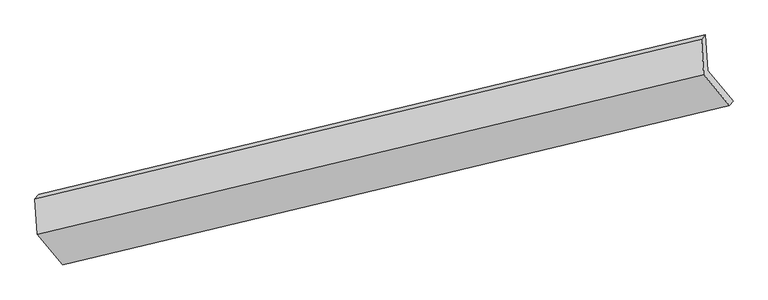
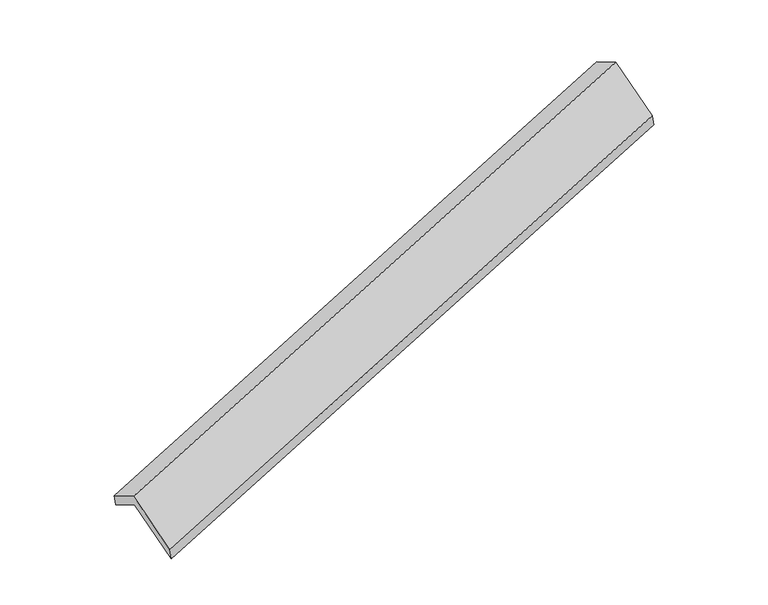
"""IFC4 building model written with IfcOpenShell, lengths in millimetres: proxy geometry."""

import ifcopenshell
import ifcopenshell.guid

model = None  # the IFC model being written
_history = None  # IfcOwnerHistory: only IFC2X3 demands one
_inside = {}  # id of a spatial element -> (the spatial element, [elements in it])
_under = {}  # id of a project, library or spatial element -> (it, [spatial elements below it])
_declared = {}  # id of a project -> (the project, [libraries it declares])
_typed = {}  # id of a type object -> (the type object, [elements of that type])
_made_of = {}  # id of a material, layer set ... -> (it, [elements and type objects made of it])


def new_model(schema):
    """Start an empty IFC model of exactly this schema.

    Asked for "IFC4X3", IfcOpenShell would pick the latest addendum, in which some entities
    have other attributes; the version numbers below select the first issue.
    IFC2X3 requires an IfcOwnerHistory on every rooted entity: one is made here for all.
    """
    global model, _history
    if schema == "IFC4X3":
        model = ifcopenshell.file(schema_version=(4, 3, 0, 0))
    else:
        model = ifcopenshell.file(schema=schema)
    _inside.clear()
    _under.clear()
    _declared.clear()
    _typed.clear()
    _made_of.clear()
    _history = None
    if model.schema == "IFC2X3":
        org = make("IfcOrganization", Name="unknown")
        user = make(
            "IfcPersonAndOrganization",
            ThePerson=make("IfcPerson", FamilyName="unknown"),
            TheOrganization=org,
        )
        app = make(
            "IfcApplication",
            ApplicationDeveloper=org,
            Version="unknown",
            ApplicationFullName="unknown",
            ApplicationIdentifier="unknown",
        )
        _history = make(
            "IfcOwnerHistory",
            OwningUser=user,
            OwningApplication=app,
            ChangeAction="ADDED",
            CreationDate=0,
        )
    return model


def make(cls, **values):
    """One entity of the class cls with the attributes given. An attribute that is None is left unset."""
    return model.create_entity(
        cls, **{name: value for name, value in values.items() if value is not None}
    )


def rooted(cls, **values):
    """An entity with a GlobalId (a new one), such as an element, a storey or a relation."""
    return make(cls, GlobalId=ifcopenshell.guid.new(), OwnerHistory=_history, **values)


def si_unit(unit_type, name, prefix=None):
    """IfcSIUnit, for example si_unit("LENGTHUNIT", "METRE", prefix="MILLI")."""
    return make("IfcSIUnit", UnitType=unit_type, Prefix=prefix, Name=name)


def assignment(units):
    """IfcUnitAssignment: the units of a project."""
    return None if units is None else make("IfcUnitAssignment", Units=units)


def point(xyz):
    """IfcCartesianPoint."""
    return None if xyz is None else make("IfcCartesianPoint", Coordinates=xyz)


def direction(xyz):
    """IfcDirection."""
    return None if xyz is None else make("IfcDirection", DirectionRatios=xyz)


def frame(location, z_axis=None, x_axis=None):
    """IfcAxis2Placement3D, a coordinate frame: its origin and axes. An axis left out is left unset."""
    return make(
        "IfcAxis2Placement3D",
        Location=point(location),
        Axis=direction(z_axis),
        RefDirection=direction(x_axis),
    )


def origin():
    """The frame at (0, 0, 0) with its axes left unset."""
    return frame((0.0, 0.0, 0.0))


def place(relative_to, where):
    """IfcLocalPlacement: puts the frame where relative to a parent placement (None: the world)."""
    return make(
        "IfcLocalPlacement", PlacementRelTo=relative_to, RelativePlacement=where
    )


def context(
    kind, dimensions, precision=None, world=None, true_north=None, identifier=None
):
    """IfcGeometricRepresentationContext, for example the 3D "Model" context."""
    return make(
        "IfcGeometricRepresentationContext",
        ContextIdentifier=identifier,
        ContextType=kind,
        CoordinateSpaceDimension=dimensions,
        Precision=precision,
        WorldCoordinateSystem=world,
        TrueNorth=true_north,
    )


def project(units=None, contexts=None):
    """IfcProject with its units and contexts."""
    return rooted(
        "IfcProject",
        Name="project",
        RepresentationContexts=contexts,
        UnitsInContext=assignment(units),
    )


def spatial(cls, under=None, at=None, **own):
    """A site, building, storey or space (cls), placed at a placement, below another one or the project."""
    s = rooted(cls, ObjectPlacement=at, **own)
    if under is not None:
        _under.setdefault(under.id(), (under, []))[1].append(s)
    return s


def faces_of(points, faces, orient=None, outer=None):
    """IfcFace entities. A face is a list of loops; a loop is a list of indices into points, from 0.

    orient and outer hold one flag for each loop. By default every Orientation is true, the
    first loop of a face is its IfcFaceOuterBound and the others are IfcFaceBound.
    """
    made = []
    for i, loops in enumerate(faces):
        bounds = []
        for j, loop in enumerate(loops):
            is_outer = j == 0 if outer is None else outer[i][j]
            bounds.append(
                make(
                    "IfcFaceOuterBound" if is_outer else "IfcFaceBound",
                    Bound=make("IfcPolyLoop", Polygon=[points[k] for k in loop]),
                    Orientation=True if orient is None else orient[i][j],
                )
            )
        made.append(make("IfcFace", Bounds=bounds))
    return made


def faceted_brep(points, faces, orient=None, outer=None, voids=None):
    """IfcFacetedBrep: a solid bounded by flat faces; with voids (closed shells), ...WithVoids."""
    shared = [point(p) for p in points]
    hull = make("IfcClosedShell", CfsFaces=faces_of(shared, faces, orient, outer))
    if voids is None:
        return make("IfcFacetedBrep", Outer=hull)
    return make(
        "IfcFacetedBrepWithVoids",
        Outer=hull,
        Voids=[
            make(cls, CfsFaces=faces_of(shared, fs, o, b)) for cls, fs, o, b in voids
        ],
    )


def shape(context_of_items, identifier, shape_type, items):
    """IfcShapeRepresentation: the items that make up one representation, for example the "Body"."""
    return make(
        "IfcShapeRepresentation",
        ContextOfItems=context_of_items,
        RepresentationIdentifier=identifier,
        RepresentationType=shape_type,
        Items=items,
    )


def source(mapping_origin, context_of_items, identifier, shape_type, items):
    """IfcRepresentationMap: a shape defined once, which mapped items show again and again."""
    return make(
        "IfcRepresentationMap",
        MappingOrigin=mapping_origin,
        MappedRepresentation=shape(context_of_items, identifier, shape_type, items),
    )


def transform(
    local_origin,
    x_axis=None,
    y_axis=None,
    z_axis=None,
    scale=None,
    scale2=None,
    scale3=None,
    uniform=True,
):
    """IfcCartesianTransformationOperator3D, or its non-uniform kind. x_axis, y_axis, z_axis: its Axis1, 2, 3."""
    if uniform:
        return make(
            "IfcCartesianTransformationOperator3D",
            Axis1=direction(x_axis),
            Axis2=direction(y_axis),
            LocalOrigin=point(local_origin),
            Scale=scale,
            Axis3=direction(z_axis),
        )
    return make(
        "IfcCartesianTransformationOperator3DnonUniform",
        Axis1=direction(x_axis),
        Axis2=direction(y_axis),
        LocalOrigin=point(local_origin),
        Scale=scale,
        Axis3=direction(z_axis),
        Scale2=scale2,
        Scale3=scale3,
    )


def mapped(mapping_source, mapping_target):
    """IfcMappedItem: shows the shape of a source again, moved by a transform."""
    return make(
        "IfcMappedItem", MappingSource=mapping_source, MappingTarget=mapping_target
    )


def made_of(thing, what):
    """Note that an element or type object is made of a material, layer set ...; save() writes the relation."""
    if what is not None:
        _made_of.setdefault(what.id(), (what, []))[1].append(thing)
    return thing


def element(
    cls,
    number,
    at=None,
    inside=None,
    cuts=None,
    type_object=None,
    material=None,
    context=None,
    identifier="Body",
    shape_type=None,
    held_by="IfcProductDefinitionShape",
    body=None,
    shapes=None,
    **own,
):
    """One element of the class cls, such as IfcWall. Its Tag is "e" and its number.

    at: its placement. inside: the storey or other place that contains it. cuts: it is an
    opening in that element (IfcRelVoidsElement). A single representation is given by context,
    identifier, shape_type and body (its items); several are given by shapes. held_by: the class
    of the entity that holds the representations. save() writes the other relations.
    """
    e = rooted(cls, Tag="e%d" % number, ObjectPlacement=at, **own)
    if body is not None:
        shapes = [shape(context, identifier, shape_type, body)]
    if shapes is not None:
        e.Representation = make(held_by, Representations=shapes)
    if inside is not None:
        _inside.setdefault(inside.id(), (inside, []))[1].append(e)
    if cuts is not None:
        rooted(
            "IfcRelVoidsElement", RelatingBuildingElement=cuts, RelatedOpeningElement=e
        )
    if type_object is not None:
        _typed.setdefault(type_object.id(), (type_object, []))[1].append(e)
    return made_of(e, material)


def aggregate(whole, parts):
    """IfcRelAggregates: a whole, such as a stair, and the parts it consists of."""
    return rooted("IfcRelAggregates", RelatingObject=whole, RelatedObjects=parts)


def save(model, path):
    """Write the relations noted so far, then the file.

    IfcRelAggregates (storeys below a building ...), IfcRelContainedInSpatialStructure (elements
    in a storey), IfcRelDefinesByType, IfcRelAssociatesMaterial and IfcRelDeclares: one each for
    every whole, place, type object, material and project.
    """
    for whole, parts in _under.values():
        aggregate(whole, parts)
    for where, things in _inside.values():
        rooted(
            "IfcRelContainedInSpatialStructure",
            RelatedElements=things,
            RelatingStructure=where,
        )
    for kind, things in _typed.values():
        rooted("IfcRelDefinesByType", RelatedObjects=things, RelatingType=kind)
    for what, things in _made_of.values():
        rooted("IfcRelAssociatesMaterial", RelatedObjects=things, RelatingMaterial=what)
    for by, libraries in _declared.values():
        rooted("IfcRelDeclares", RelatingContext=by, RelatedDefinitions=libraries)
    model.write(path)


def generic_models_d7ba2a2b(model_context):
    return source(origin(), model_context, "Body", "Brep", [
        faceted_brep([(-6066.6568439, -2257.7582299, 1079.25675), (-6086.8725959, -1920.1748864, 889.7721969), (213.1628271, -408.5090726, 2931.2567352), (233.3785791, -746.0924162, 3120.7412883), (-6123.2920225, -1959.1537873, 1034.0550977), (176.7434005, -447.4879736, 3075.539636), (-6103.1294902, -2295.8484136, 1223.0408164), (196.9059328, -784.1825999, 3264.5253547), (-5861.364401, -2587.2458405, 678.097289), (438.6710219, -1075.5800268, 2719.5818273), (-5824.9064965, -2549.1378887, 534.3464509), (475.1289265, -1037.4720749, 2575.8309892)], [[[0, 1, 2, 3]], [[1, 4, 5, 2]], [[4, 6, 7, 5]], [[6, 8, 9, 7]], [[8, 10, 11, 9]], [[10, 0, 3, 11]], [[9, 11, 3, 2, 5, 7]], [[0, 10, 8, 6, 4, 1]]]),
    ])


if __name__ == "__main__":
    model = new_model("IFC4")
    model_context = context("Model", 3, world=origin())
    ifc_project = project(units=[si_unit("LENGTHUNIT", "METRE", prefix="MILLI")], contexts=[model_context])
    site = spatial("IfcSite", under=ifc_project)
    building = spatial("IfcBuilding", under=site)
    placement = place(None, origin())
    generic_models_shape = generic_models_d7ba2a2b(model_context)
    element("IfcBuildingElementProxy", 1, Name="Generic Models", at=placement, inside=building, context=model_context, shape_type="MappedRepresentation", body=[
        mapped(generic_models_shape, transform((0.0, 0.0, 0.0), x_axis=(1.0, 0.0, 0.0), y_axis=(0.0, 1.0, 0.0), z_axis=(0.0, 0.0, 1.0))),
    ])
    save(model, "model.ifc")
